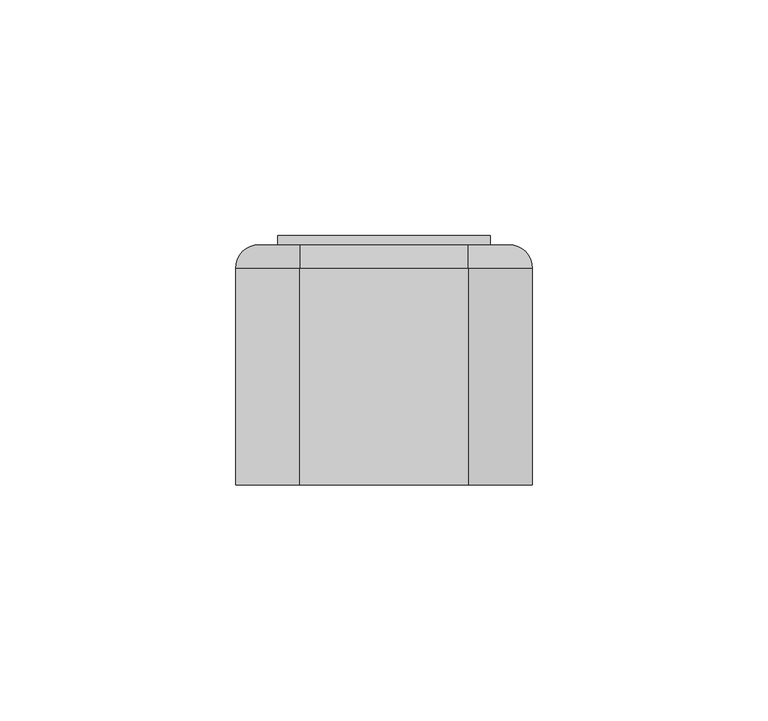
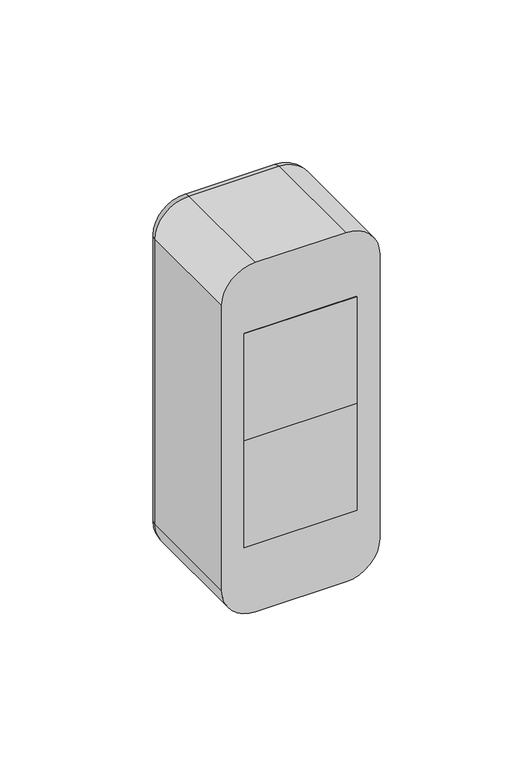
"""IFC4 building model written with IfcOpenShell, lengths in millimetres: proxy geometry."""

from ifc_helpers import new_model, si_unit, point, frame, frame_2d, origin, origin_with_axes, place, context, project, spatial, polyline, circle_curve, ellipse_curve, trimmed, segment, composite_curve, outline, extrude, source, transform, mapped, element, save
from ifc_brep_helpers import plane_surface, cylinder_surface, revolved_surface, advanced_brep


def electrical_fixtures_b247a309(model_context):
    return source(origin(), model_context, "Body", "SolidModel", [
        advanced_brep(
        [(22.5, 51.0, 45.0), (22.5, 51.0, 0.0), (-22.5, 51.0, 0.0), (-22.5, 51.0, 45.0), (-18.0, 51.0, 22.5), (18.0, 51.0, 22.5), (22.5, 43.0, 45.0), (-22.5, 43.0, 45.0), (-22.5, 43.0, 0.0), (22.5, 43.0, 0.0), (-7.0, 43.0, 22.5), (-12.0, 43.0, 22.5), (12.0, 43.0, 22.5), (7.0, 43.0, 22.5), (-18.0, 44.0, 22.5), (18.0, 44.0, 22.5), (-12.0, 44.0, 22.5), (-7.0, 44.0, 22.5), (7.0, 44.0, 22.5), (12.0, 44.0, 22.5)],
        [
            (0, 1),
            (1, 2),
            (2, 3),
            (3, 0),
            (4, 5, circle_curve(frame((0.0, 51.0, 22.5), z_axis=(0.0, -1.0, 0.0), x_axis=(1.0, 0.0, 0.0)), 18.0)),
            (5, 4, circle_curve(frame((0.0, 51.0, 22.5), z_axis=(0.0, -1.0, 0.0), x_axis=(1.0, 0.0, 0.0)), 18.0)),
            (6, 7),
            (7, 8),
            (8, 9),
            (9, 6),
            (10, 11, circle_curve(frame((-9.5, 43.0, 22.5), z_axis=(0.0, 1.0, 0.0), x_axis=(1.0, 0.0, 0.0)), 2.5)),
            (11, 10, circle_curve(frame((-9.5, 43.0, 22.5), z_axis=(0.0, 1.0, 0.0), x_axis=(1.0, 0.0, 0.0)), 2.5)),
            (12, 13, circle_curve(frame((9.5, 43.0, 22.5), z_axis=(0.0, 1.0, 0.0), x_axis=(1.0, 0.0, 0.0)), 2.5)),
            (13, 12, circle_curve(frame((9.5, 43.0, 22.5), z_axis=(0.0, 1.0, 0.0), x_axis=(1.0, 0.0, 0.0)), 2.5)),
            (3, 7),
            (6, 0),
            (2, 8),
            (1, 9),
            (14, 15, circle_curve(frame((0.0, 44.0, 22.5), z_axis=(0.0, 1.0, 0.0), x_axis=(1.0, 0.0, 0.0)), 18.0)),
            (15, 14, circle_curve(frame((0.0, 44.0, 22.5), z_axis=(0.0, 1.0, 0.0), x_axis=(1.0, 0.0, 0.0)), 18.0)),
            (16, 17, circle_curve(frame((-9.5, 44.0, 22.5), z_axis=(0.0, -1.0, 0.0), x_axis=(1.0, 0.0, 0.0)), 2.5)),
            (17, 16, circle_curve(frame((-9.5, 44.0, 22.5), z_axis=(0.0, -1.0, 0.0), x_axis=(1.0, 0.0, 0.0)), 2.5)),
            (18, 19, circle_curve(frame((9.5, 44.0, 22.5), z_axis=(0.0, -1.0, 0.0), x_axis=(1.0, 0.0, 0.0)), 2.5)),
            (19, 18, circle_curve(frame((9.5, 44.0, 22.5), z_axis=(0.0, -1.0, 0.0), x_axis=(1.0, 0.0, 0.0)), 2.5)),
            (15, 5),
            (4, 14),
            (10, 17),
            (16, 11),
            (12, 19),
            (18, 13),
        ],
        [
            plane_surface(frame((-39.0, 51.0, 45.0), z_axis=(0.0, 1.0, 0.0), x_axis=(1.0, 0.0, 0.0))),
            plane_surface(frame((-39.0, 43.0, 45.0), z_axis=(0.0, -1.0, 0.0), x_axis=(-1.0, 0.0, 0.0))),
            plane_surface(frame((22.5, 43.0, 45.0), z_axis=(0.0, 0.0, 1.0), x_axis=(0.0, 1.0, 0.0))),
            plane_surface(frame((-22.5, 43.0, 45.0), z_axis=(-1.0, 0.0, 0.0), x_axis=(0.0, 1.0, 0.0))),
            plane_surface(frame((-22.5, 43.0, 0.0), z_axis=(0.0, 0.0, -1.0), x_axis=(0.0, 1.0, 0.0))),
            plane_surface(frame((22.5, 43.0, 0.0), z_axis=(1.0, 0.0, 0.0), x_axis=(0.0, 1.0, 0.0))),
            plane_surface(frame((18.0, 44.0, 22.5), z_axis=(0.0, 1.0, 0.0), x_axis=(0.0, 0.0, 1.0))),
            revolved_surface(polyline([(18.0, 44.0, 22.5), (18.0, 51.0, 22.5)]), (0.0, 51.0, 22.5), (0.0, -1.0, 0.0)),
            revolved_surface(polyline([(-7.0, 43.0, 22.5), (-7.0, 44.0, 22.5)]), (-9.5, 44.0, 22.5), (0.0, -1.0, 0.0)),
            revolved_surface(polyline([(12.0, 43.0, 22.5), (12.0, 44.0, 22.5)]), (9.5, 43.0, 22.5), (0.0, -1.0, 0.0)),
        ],
        [
            (0, [[1, 2, 3, 4], [5, 6]]),
            (1, [[7, 8, 9, 10], [11, 12], [13, 14]]),
            (2, [[-4, 15, -7, 16]]),
            (3, [[-3, 17, -8, -15]]),
            (4, [[-2, 18, -9, -17]]),
            (5, [[-1, -16, -10, -18]]),
            (6, [[19, 20], [21, 22], [23, 24]]),
            (7, [[-20, 25, -5, 26]]),
            (7, [[-19, -26, -6, -25]]),
            (8, [[27, -21, 28, -11]]),
            (8, [[-27, -12, -28, -22]]),
            (9, [[29, -23, 30, -13]]),
            (9, [[-29, -14, -30, -24]]),
        ],
    ),
        extrude(outline(polyline([(22.5, 0.0), (-22.5, 0.0), (-22.5, 43.0), (22.5, 43.0), (22.5, 0.0)])), origin_with_axes(), (0.0, 0.0, 1.0), 45.0),
        extrude(outline(polyline([(22.5, 51.0), (-22.5, 51.0), (-22.5, 53.0), (22.5, 53.0), (22.5, 51.0)])), origin_with_axes(), (0.0, 0.0, 1.0), 45.0),
        extrude(outline(composite_curve([segment(polyline([(6.5, -1.5), (4.5626089, -1.5)]), True, "CONTINUOUS"), segment(trimmed(circle_curve(frame_2d((22.5, 0.0)), 18.0), [point((4.5626089, -1.5))], [point((4.5626089, 1.5))], False, "CARTESIAN"), True, "CONTINUOUS"), segment(polyline([(4.5626089, 1.5), (6.5, 1.5), (6.5, -1.5)]), True, "CONTINUOUS")], self_intersect=False)), frame((0.0, 44.0, 0.0), z_axis=(0.0, 1.0, 0.0), x_axis=(0.0, 0.0, 1.0)), (0.0, 0.0, 1.0), 6.0),
        extrude(outline(composite_curve([segment(polyline([(38.5, -1.5), (38.5, 1.5), (40.4373911, 1.5)]), True, "CONTINUOUS"), segment(trimmed(circle_curve(frame_2d((22.5, 0.0)), 18.0), [point((40.4373911, 1.5))], [point((40.4373911, -1.5))], False, "CARTESIAN"), True, "CONTINUOUS"), segment(polyline([(40.4373911, -1.5), (38.5, -1.5)]), True, "CONTINUOUS")], self_intersect=False)), frame((0.0, 44.0, 0.0), z_axis=(0.0, 1.0, 0.0), x_axis=(0.0, 0.0, 1.0)), (0.0, 0.0, 1.0), 6.0),
        extrude(outline(composite_curve([segment(polyline([(30.7462113, 16.0), (24.5, 16.0), (24.5, 17.8885438)]), True, "CONTINUOUS"), segment(trimmed(circle_curve(frame_2d((22.5, 0.0)), 18.0), [point((24.5, 17.8885438))], [point((30.7462113, 16.0))], False, "CARTESIAN"), True, "CONTINUOUS")], self_intersect=False)), frame((0.0, 44.0, 0.0), z_axis=(0.0, 1.0, 0.0), x_axis=(0.0, 0.0, 1.0)), (0.0, 0.0, 1.0), 6.0),
        extrude(outline(composite_curve([segment(trimmed(circle_curve(frame_2d((22.5, 0.0)), 18.0), [point((14.2537887, 16.0))], [point((20.5, 17.8885438))], False, "CARTESIAN"), True, "CONTINUOUS"), segment(polyline([(20.5, 17.8885438), (20.5, 16.0), (14.2537887, 16.0)]), True, "CONTINUOUS")], self_intersect=False)), frame((0.0, 44.0, 0.0), z_axis=(0.0, 1.0, 0.0), x_axis=(0.0, 0.0, 1.0)), (0.0, 0.0, 1.0), 6.0),
        extrude(outline(composite_curve([segment(polyline([(14.2537887, -16.0), (20.5, -16.0), (20.5, -17.8885438)]), True, "CONTINUOUS"), segment(trimmed(circle_curve(frame_2d((22.5, 0.0)), 18.0), [point((20.5, -17.8885438))], [point((14.2537887, -16.0))], False, "CARTESIAN"), True, "CONTINUOUS")], self_intersect=False)), frame((0.0, 44.0, 0.0), z_axis=(0.0, 1.0, 0.0), x_axis=(0.0, 0.0, 1.0)), (0.0, 0.0, 1.0), 6.0),
        extrude(outline(composite_curve([segment(trimmed(circle_curve(frame_2d((22.5, 0.0)), 18.0), [point((30.7462113, -16.0))], [point((24.5, -17.8885438))], False, "CARTESIAN"), True, "CONTINUOUS"), segment(polyline([(24.5, -17.8885438), (24.5, -16.0), (30.7462113, -16.0)]), True, "CONTINUOUS")], self_intersect=False)), frame((0.0, 44.0, 0.0), z_axis=(0.0, 1.0, 0.0), x_axis=(0.0, 0.0, 1.0)), (0.0, 0.0, 1.0), 6.0),
        advanced_brep(
        [(22.5, 51.0, 0.0), (22.5, 51.0, -45.0), (-22.5, 51.0, -45.0), (-22.5, 51.0, 0.0), (-18.0, 51.0, -22.5), (18.0, 51.0, -22.5), (22.5, 43.0, 0.0), (-22.5, 43.0, 0.0), (-22.5, 43.0, -45.0), (22.5, 43.0, -45.0), (-7.0, 43.0, -22.5), (-12.0, 43.0, -22.5), (12.0, 43.0, -22.5), (7.0, 43.0, -22.5), (-18.0, 44.0, -22.5), (18.0, 44.0, -22.5), (-12.0, 44.0, -22.5), (-7.0, 44.0, -22.5), (7.0, 44.0, -22.5), (12.0, 44.0, -22.5)],
        [
            (0, 1),
            (1, 2),
            (2, 3),
            (3, 0),
            (4, 5, circle_curve(frame((0.0, 51.0, -22.5), z_axis=(0.0, -1.0, 0.0), x_axis=(1.0, 0.0, 0.0)), 18.0)),
            (5, 4, circle_curve(frame((0.0, 51.0, -22.5), z_axis=(0.0, -1.0, 0.0), x_axis=(1.0, 0.0, 0.0)), 18.0)),
            (6, 7),
            (7, 8),
            (8, 9),
            (9, 6),
            (10, 11, circle_curve(frame((-9.5, 43.0, -22.5), z_axis=(0.0, 1.0, 0.0), x_axis=(1.0, 0.0, 0.0)), 2.5)),
            (11, 10, circle_curve(frame((-9.5, 43.0, -22.5), z_axis=(0.0, 1.0, 0.0), x_axis=(1.0, 0.0, 0.0)), 2.5)),
            (12, 13, circle_curve(frame((9.5, 43.0, -22.5), z_axis=(0.0, 1.0, 0.0), x_axis=(1.0, 0.0, 0.0)), 2.5)),
            (13, 12, circle_curve(frame((9.5, 43.0, -22.5), z_axis=(0.0, 1.0, 0.0), x_axis=(1.0, 0.0, 0.0)), 2.5)),
            (3, 7),
            (6, 0),
            (2, 8),
            (1, 9),
            (14, 15, circle_curve(frame((0.0, 44.0, -22.5), z_axis=(0.0, 1.0, 0.0), x_axis=(1.0, 0.0, 0.0)), 18.0)),
            (15, 14, circle_curve(frame((0.0, 44.0, -22.5), z_axis=(0.0, 1.0, 0.0), x_axis=(1.0, 0.0, 0.0)), 18.0)),
            (16, 17, circle_curve(frame((-9.5, 44.0, -22.5), z_axis=(0.0, -1.0, 0.0), x_axis=(1.0, 0.0, 0.0)), 2.5)),
            (17, 16, circle_curve(frame((-9.5, 44.0, -22.5), z_axis=(0.0, -1.0, 0.0), x_axis=(1.0, 0.0, 0.0)), 2.5)),
            (18, 19, circle_curve(frame((9.5, 44.0, -22.5), z_axis=(0.0, -1.0, 0.0), x_axis=(1.0, 0.0, 0.0)), 2.5)),
            (19, 18, circle_curve(frame((9.5, 44.0, -22.5), z_axis=(0.0, -1.0, 0.0), x_axis=(1.0, 0.0, 0.0)), 2.5)),
            (15, 5),
            (4, 14),
            (10, 17),
            (16, 11),
            (12, 19),
            (18, 13),
        ],
        [
            plane_surface(frame((-39.0, 51.0, 0.0), z_axis=(0.0, 1.0, 0.0), x_axis=(1.0, 0.0, 0.0))),
            plane_surface(frame((-39.0, 43.0, 0.0), z_axis=(0.0, -1.0, 0.0), x_axis=(-1.0, 0.0, 0.0))),
            plane_surface(frame((22.5, 43.0, 0.0), z_axis=(0.0, 0.0, 1.0), x_axis=(0.0, 1.0, 0.0))),
            plane_surface(frame((-22.5, 43.0, 0.0), z_axis=(-1.0, 0.0, 0.0), x_axis=(0.0, 1.0, 0.0))),
            plane_surface(frame((-22.5, 43.0, -45.0), z_axis=(0.0, 0.0, -1.0), x_axis=(0.0, 1.0, 0.0))),
            plane_surface(frame((22.5, 43.0, -45.0), z_axis=(1.0, 0.0, 0.0), x_axis=(0.0, 1.0, 0.0))),
            plane_surface(frame((18.0, 44.0, -22.5), z_axis=(0.0, 1.0, 0.0), x_axis=(0.0, 0.0, 1.0))),
            revolved_surface(polyline([(18.0, 44.0, -22.5), (18.0, 51.0, -22.5)]), (0.0, 51.0, -22.5), (0.0, -1.0, 0.0)),
            revolved_surface(polyline([(-7.0, 43.0, -22.5), (-7.0, 44.0, -22.5)]), (-9.5, 44.0, -22.5), (0.0, -1.0, 0.0)),
            revolved_surface(polyline([(12.0, 43.0, -22.5), (12.0, 44.0, -22.5)]), (9.5, 43.0, -22.5), (0.0, -1.0, 0.0)),
        ],
        [
            (0, [[1, 2, 3, 4], [5, 6]]),
            (1, [[7, 8, 9, 10], [11, 12], [13, 14]]),
            (2, [[-4, 15, -7, 16]]),
            (3, [[-3, 17, -8, -15]]),
            (4, [[-2, 18, -9, -17]]),
            (5, [[-1, -16, -10, -18]]),
            (6, [[19, 20], [21, 22], [23, 24]]),
            (7, [[-20, 25, -5, 26]]),
            (7, [[-19, -26, -6, -25]]),
            (8, [[27, -21, 28, -11]]),
            (8, [[-27, -12, -28, -22]]),
            (9, [[29, -23, 30, -13]]),
            (9, [[-29, -14, -30, -24]]),
        ],
    ),
        extrude(outline(polyline([(22.5, 0.0), (-22.5, 0.0), (-22.5, 43.0), (22.5, 43.0), (22.5, 0.0)])), frame((0.0, 0.0, -45.0), z_axis=(0.0, 0.0, 1.0), x_axis=(1.0, 0.0, 0.0)), (0.0, 0.0, 1.0), 45.0),
        extrude(outline(polyline([(22.5, 51.0), (-22.5, 51.0), (-22.5, 53.0), (22.5, 53.0), (22.5, 51.0)])), frame((0.0, 0.0, -45.0), z_axis=(0.0, 0.0, 1.0), x_axis=(1.0, 0.0, 0.0)), (0.0, 0.0, 1.0), 45.0),
        extrude(outline(composite_curve([segment(polyline([(-38.5, -1.5), (-40.4373911, -1.5)]), True, "CONTINUOUS"), segment(trimmed(circle_curve(frame_2d((-22.5, 0.0)), 18.0), [point((-40.4373911, -1.5))], [point((-40.4373911, 1.5))], False, "CARTESIAN"), True, "CONTINUOUS"), segment(polyline([(-40.4373911, 1.5), (-38.5, 1.5), (-38.5, -1.5)]), True, "CONTINUOUS")], self_intersect=False)), frame((0.0, 44.0, 0.0), z_axis=(0.0, 1.0, 0.0), x_axis=(0.0, 0.0, 1.0)), (0.0, 0.0, 1.0), 6.0),
        extrude(outline(composite_curve([segment(polyline([(-6.5, -1.5), (-6.5, 1.5), (-4.5626089, 1.5)]), True, "CONTINUOUS"), segment(trimmed(circle_curve(frame_2d((-22.5, 0.0)), 18.0), [point((-4.5626089, 1.5))], [point((-4.5626089, -1.5))], False, "CARTESIAN"), True, "CONTINUOUS"), segment(polyline([(-4.5626089, -1.5), (-6.5, -1.5)]), True, "CONTINUOUS")], self_intersect=False)), frame((0.0, 44.0, 0.0), z_axis=(0.0, 1.0, 0.0), x_axis=(0.0, 0.0, 1.0)), (0.0, 0.0, 1.0), 6.0),
        extrude(outline(composite_curve([segment(polyline([(-14.2537887, 16.0), (-20.5, 16.0), (-20.5, 17.8885438)]), True, "CONTINUOUS"), segment(trimmed(circle_curve(frame_2d((-22.5, 0.0)), 18.0), [point((-20.5, 17.8885438))], [point((-14.2537887, 16.0))], False, "CARTESIAN"), True, "CONTINUOUS")], self_intersect=False)), frame((0.0, 44.0, 0.0), z_axis=(0.0, 1.0, 0.0), x_axis=(0.0, 0.0, 1.0)), (0.0, 0.0, 1.0), 6.0),
        extrude(outline(composite_curve([segment(trimmed(circle_curve(frame_2d((-22.5, 0.0)), 18.0), [point((-30.7462113, 16.0))], [point((-24.5, 17.8885438))], False, "CARTESIAN"), True, "CONTINUOUS"), segment(polyline([(-24.5, 17.8885438), (-24.5, 16.0), (-30.7462113, 16.0)]), True, "CONTINUOUS")], self_intersect=False)), frame((0.0, 44.0, 0.0), z_axis=(0.0, 1.0, 0.0), x_axis=(0.0, 0.0, 1.0)), (0.0, 0.0, 1.0), 6.0),
        extrude(outline(composite_curve([segment(polyline([(-30.7462113, -16.0), (-24.5, -16.0), (-24.5, -17.8885438)]), True, "CONTINUOUS"), segment(trimmed(circle_curve(frame_2d((-22.5, 0.0)), 18.0), [point((-24.5, -17.8885438))], [point((-30.7462113, -16.0))], False, "CARTESIAN"), True, "CONTINUOUS")], self_intersect=False)), frame((0.0, 44.0, 0.0), z_axis=(0.0, 1.0, 0.0), x_axis=(0.0, 0.0, 1.0)), (0.0, 0.0, 1.0), 6.0),
        extrude(outline(composite_curve([segment(trimmed(circle_curve(frame_2d((-22.5, 0.0)), 18.0), [point((-14.2537887, -16.0))], [point((-20.5, -17.8885438))], False, "CARTESIAN"), True, "CONTINUOUS"), segment(polyline([(-20.5, -17.8885438), (-20.5, -16.0), (-14.2537887, -16.0)]), True, "CONTINUOUS")], self_intersect=False)), frame((0.0, 44.0, 0.0), z_axis=(0.0, 1.0, 0.0), x_axis=(0.0, 0.0, 1.0)), (0.0, 0.0, 1.0), 6.0),
        advanced_brep(
        [(17.9328665, 51.0, 68.5), (26.5, 51.0, 59.9328665), (26.5, 51.0, -59.9328665), (17.9328665, 51.0, -68.5), (-17.9328665, 51.0, -68.5), (-26.5, 51.0, -59.9328665), (-26.5, 51.0, 59.9328665), (-17.9328665, 51.0, 68.5), (22.5, 51.0, 45.0), (-22.5, 51.0, 45.0), (-22.5, 51.0, -45.0), (22.5, 51.0, -45.0), (-17.9328665, 0.0, 73.5), (-31.5, 0.0, 59.9328665), (-31.5, 0.0, -59.9328665), (-17.9328665, 0.0, -73.5), (17.9328665, 0.0, -73.5), (31.5, 0.0, -59.9328665), (31.5, 0.0, 59.9328665), (17.9328665, 0.0, 73.5), (22.5, 2.0, -45.0), (22.5, 2.0, 45.0), (-22.5, 2.0, -45.0), (-22.5, 2.0, 45.0), (-31.5, 46.0, 59.9328665), (-31.5, 46.0, -59.9328665), (-17.9328665, 46.0, -73.5), (17.9328665, 46.0, -73.5), (31.5, 46.0, -59.9328665), (31.5, 46.0, 59.9328665), (17.9328665, 46.0000072, 73.5), (-17.9328665, 46.0, 73.5)],
        [
            (0, 1, circle_curve(frame((17.9328665, 51.0, 59.9328665), z_axis=(0.0, 1.0, 0.0), x_axis=(0.0, 0.0, 1.0)), 8.5671335)),
            (1, 2),
            (2, 3, circle_curve(frame((17.9328665, 51.0, -59.9328665), z_axis=(0.0, 1.0, 0.0), x_axis=(1.0, 0.0, 0.0)), 8.5671335)),
            (3, 4),
            (4, 5, circle_curve(frame((-17.9328665, 51.0, -59.9328665), z_axis=(0.0, 1.0, 0.0), x_axis=(0.0, 0.0, -1.0)), 8.5671335)),
            (5, 6),
            (6, 7, circle_curve(frame((-17.9328665, 51.0, 59.9328665), z_axis=(0.0, 1.0, 0.0), x_axis=(-1.0, 0.0, 0.0)), 8.5671335)),
            (7, 0),
            (8, 9),
            (9, 10),
            (10, 11),
            (11, 8),
            (12, 13, circle_curve(frame((-17.9328665, 0.0, 59.9328665), z_axis=(0.0, -1.0, 0.0), x_axis=(1.0, 0.0, 0.0)), 13.5671335)),
            (13, 14),
            (14, 15, circle_curve(frame((-17.9328665, 0.0, -59.9328665), z_axis=(0.0, -1.0, 0.0), x_axis=(1.0, 0.0, 0.0)), 13.5671335)),
            (15, 16),
            (16, 17, circle_curve(frame((17.9328665, 0.0, -59.9328665), z_axis=(0.0, -1.0, 0.0), x_axis=(1.0, 0.0, 0.0)), 13.5671335)),
            (17, 18),
            (18, 19, circle_curve(frame((17.9328665, 0.0, 59.9328665), z_axis=(0.0, -1.0, 0.0), x_axis=(1.0, 0.0, 0.0)), 13.5671335)),
            (19, 12),
            (11, 20),
            (20, 21),
            (21, 8),
            (10, 22),
            (22, 20),
            (9, 23),
            (23, 22),
            (21, 23),
            (13, 24),
            (24, 25),
            (25, 14),
            (15, 26),
            (26, 27),
            (27, 16),
            (17, 28),
            (28, 29),
            (29, 18),
            (19, 30),
            (30, 31),
            (31, 12),
            (31, 24, circle_curve(frame((-17.9328665, 46.0, 59.9328665), z_axis=(0.0, -1.0, 0.0), x_axis=(1.0, 0.0, 0.0)), 13.5671335)),
            (25, 26, circle_curve(frame((-17.9328665, 46.0, -59.9328665), z_axis=(0.0, -1.0, 0.0), x_axis=(1.0, 0.0, 0.0)), 13.5671335)),
            (27, 28, circle_curve(frame((17.9328665, 46.0, -59.9328665), z_axis=(0.0, -1.0, 0.0), x_axis=(1.0, 0.0, 0.0)), 13.5671335)),
            (29, 30, circle_curve(frame((17.9328665, 46.0, 59.9328665), z_axis=(0.0, -1.0, 0.0), x_axis=(1.0, 0.0, 0.0)), 13.5671335)),
            (29, 1, circle_curve(frame((26.5, 46.0, 59.9328665), z_axis=(0.0, 0.0, 1.0), x_axis=(0.0, 1.0, 0.0)), 5.0)),
            (0, 30, circle_curve(frame((17.9328665, 46.0, 68.5), z_axis=(1.0, 0.0, 0.0), x_axis=(0.0, 1.0, 0.0)), 5.0)),
            (28, 2, circle_curve(frame((26.5, 46.0, -59.9328665), z_axis=(0.0, 0.0, 1.0), x_axis=(0.0, 1.0, 0.0)), 5.0)),
            (27, 3, circle_curve(frame((17.9328665, 46.0, -68.5), z_axis=(1.0, 0.0, 0.0), x_axis=(0.0, 1.0, 0.0)), 5.0)),
            (26, 4, circle_curve(frame((-17.9328665, 46.0, -68.5), z_axis=(1.0, 0.0, 0.0), x_axis=(0.0, 1.0, 0.0)), 5.0)),
            (25, 5, circle_curve(frame((-26.5, 46.0, -59.9328665), z_axis=(0.0, 0.0, -1.0), x_axis=(0.0, 1.0, 0.0)), 5.0)),
            (24, 6, circle_curve(frame((-26.5, 46.0, 59.9328665), z_axis=(0.0, 0.0, -1.0), x_axis=(0.0, 1.0, 0.0)), 5.0)),
            (31, 7, circle_curve(frame((-17.9328665, 46.0, 68.5), z_axis=(-1.0, 0.0, 0.0), x_axis=(0.0, 1.0, 0.0)), 5.0)),
        ],
        [
            plane_surface(frame((22.5, 51.0, 6.9412233), z_axis=(0.0, 1.0, 0.0), x_axis=(0.0, 0.0, 1.0))),
            plane_surface(frame((22.5, 0.0, 6.9412233), z_axis=(0.0, -1.0, 0.0), x_axis=(0.0, 0.0, -1.0))),
            plane_surface(frame((22.5, 0.0, 45.0), z_axis=(-1.0, 0.0, 0.0), x_axis=(0.0, 1.0, 0.0))),
            plane_surface(frame((22.5, 0.0, -45.0), z_axis=(0.0, 0.0, 1.0), x_axis=(0.0, 1.0, 0.0))),
            plane_surface(frame((-22.5, 0.0, -45.0), z_axis=(1.0, 0.0, 0.0), x_axis=(0.0, 1.0, 0.0))),
            plane_surface(frame((-22.5, 0.0, 45.0), z_axis=(0.0, 0.0, -1.0), x_axis=(0.0, 1.0, 0.0))),
            plane_surface(frame((-31.5, 0.0, 59.9328665), z_axis=(-1.0, 0.0, 0.0), x_axis=(0.0, 1.0, 0.0))),
            plane_surface(frame((-17.9328665, 0.0, -73.5), z_axis=(0.0, 0.0, -1.0), x_axis=(0.0, 1.0, 0.0))),
            plane_surface(frame((31.5, 0.0, -59.9328665), z_axis=(1.0, 0.0, 0.0), x_axis=(0.0, 1.0, 0.0))),
            plane_surface(frame((17.9328665, 0.0, 73.5), z_axis=(0.0, 0.0, 1.0), x_axis=(0.0, 1.0, 0.0))),
            cylinder_surface(frame((-17.9328665, 0.0, 59.9328665), z_axis=(0.0, -1.0, 0.0), x_axis=(1.0, 0.0, 0.0)), 13.5671335),
            cylinder_surface(frame((-17.9328665, 0.0, -59.9328665), z_axis=(0.0, -1.0, 0.0), x_axis=(1.0, 0.0, 0.0)), 13.5671335),
            cylinder_surface(frame((17.9328665, 0.0, -59.9328665), z_axis=(0.0, -1.0, 0.0), x_axis=(1.0, 0.0, 0.0)), 13.5671335),
            cylinder_surface(frame((17.9328665, 0.0, 59.9328665), z_axis=(0.0, -1.0, 0.0), x_axis=(1.0, 0.0, 0.0)), 13.5671335),
            plane_surface(frame((-22.5, 2.0, 22.5), z_axis=(0.0, 1.0, 0.0), x_axis=(0.0, 0.0, 1.0))),
            revolved_surface(trimmed(ellipse_curve(frame((17.9328665, 46.0, 68.5), z_axis=(-1.0, 0.0, 0.0), x_axis=(0.0, 1.0, 0.0)), 5.0, 5.0), [point((17.9328665, 46.0, 73.5))], [point((17.9328665, 51.0, 68.5))], True, "CARTESIAN"), (17.9328665, 51.0, 59.9328665), (0.0, 1.0, 0.0)),
            cylinder_surface(frame((26.5, 46.0, 59.9328665), z_axis=(0.0, 0.0, -1.0), x_axis=(0.0, 1.0, 0.0)), 5.0),
            revolved_surface(trimmed(ellipse_curve(frame((26.5, 46.0, -59.9328665), z_axis=(0.0, 0.0, 1.0), x_axis=(0.0, 1.0, 0.0)), 5.0, 5.0), [point((31.5, 46.0, -59.9328665))], [point((26.5, 51.0, -59.9328665))], True, "CARTESIAN"), (17.9328665, 51.0, -59.9328665), (0.0, 1.0, 0.0)),
            cylinder_surface(frame((17.9328665, 46.0, -68.5), z_axis=(-1.0, 0.0, 0.0), x_axis=(0.0, 1.0, 0.0)), 5.0),
            revolved_surface(trimmed(ellipse_curve(frame((-17.9328665, 46.0, -68.5), z_axis=(1.0, 0.0, 0.0), x_axis=(0.0, 1.0, 0.0)), 5.0, 5.0), [point((-17.9328665, 46.0, -73.5))], [point((-17.9328665, 51.0, -68.5))], True, "CARTESIAN"), (-17.9328665, 51.0, -59.9328665), (0.0, 1.0, 0.0)),
            cylinder_surface(frame((-26.5, 46.0, -59.9328665), z_axis=(0.0, 0.0, 1.0), x_axis=(0.0, 1.0, 0.0)), 5.0),
            revolved_surface(trimmed(ellipse_curve(frame((-26.5, 46.0, 59.9328665), z_axis=(0.0, 0.0, -1.0), x_axis=(0.0, 1.0, 0.0)), 5.0, 5.0), [point((-31.5, 46.0, 59.9328665))], [point((-26.5, 51.0, 59.9328665))], True, "CARTESIAN"), (-17.9328665, 51.0, 59.9328665), (0.0, 1.0, 0.0)),
            cylinder_surface(frame((-17.9328665, 46.0, 68.5), z_axis=(1.0, 0.0, 0.0), x_axis=(0.0, 1.0, 0.0)), 5.0),
        ],
        [
            (0, [[1, 2, 3, 4, 5, 6, 7, 8], [9, 10, 11, 12]]),
            (1, [[13, 14, 15, 16, 17, 18, 19, 20]]),
            (2, [[-12, 21, 22, 23]]),
            (3, [[-11, 24, 25, -21]]),
            (4, [[-10, 26, 27, -24]]),
            (5, [[-9, -23, 28, -26]]),
            (6, [[-14, 29, 30, 31]]),
            (7, [[-16, 32, 33, 34]]),
            (8, [[-18, 35, 36, 37]]),
            (9, [[-20, 38, 39, 40]]),
            (10, [[-13, -40, 41, -29]]),
            (11, [[-15, -31, 42, -32]]),
            (12, [[-17, -34, 43, -35]]),
            (13, [[-19, -37, 44, -38]]),
            (14, [[-22, -25, -27, -28]]),
            (15, [[45, -1, 46, -44]]),
            (16, [[-45, -36, 47, -2]]),
            (17, [[-47, -43, 48, -3]]),
            (18, [[-48, -33, 49, -4]]),
            (19, [[-49, -42, 50, -5]]),
            (20, [[-50, -30, 51, -6]]),
            (21, [[-51, -41, 52, -7]]),
            (22, [[-46, -8, -52, -39]]),
        ],
    ),
    ])


if __name__ == "__main__":
    model = new_model("IFC4")
    model_context = context("Model", 3, world=origin())
    ifc_project = project(units=[si_unit("LENGTHUNIT", "METRE", prefix="MILLI")], contexts=[model_context])
    site = spatial("IfcSite", under=ifc_project)
    building = spatial("IfcBuilding", under=site)
    placement = place(None, origin())
    electrical_fixtures_shape = electrical_fixtures_b247a309(model_context)
    element("IfcBuildingElementProxy", 1, Name="Electrical Fixtures", at=placement, inside=building, context=model_context, shape_type="MappedRepresentation", body=[
        mapped(electrical_fixtures_shape, transform((0.0, 0.0, 0.0), x_axis=(1.0, 0.0, 0.0), y_axis=(0.0, 1.0, 0.0), z_axis=(0.0, 0.0, 1.0))),
    ])
    save(model, "model.ifc")
